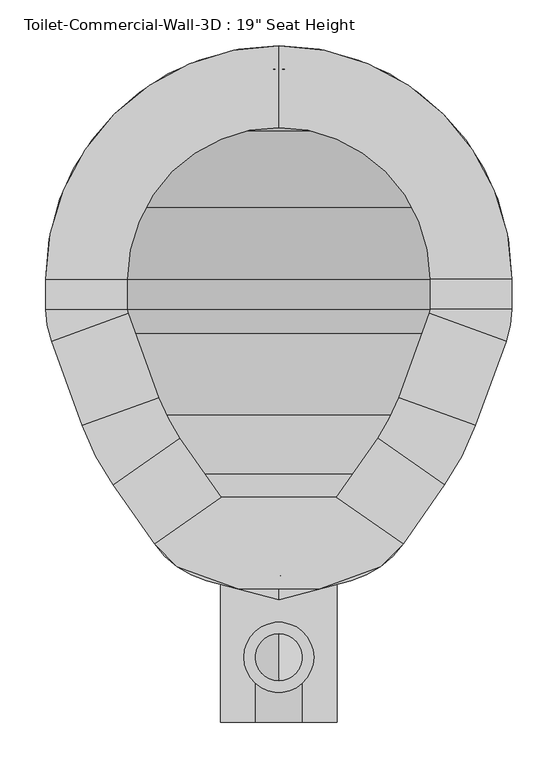
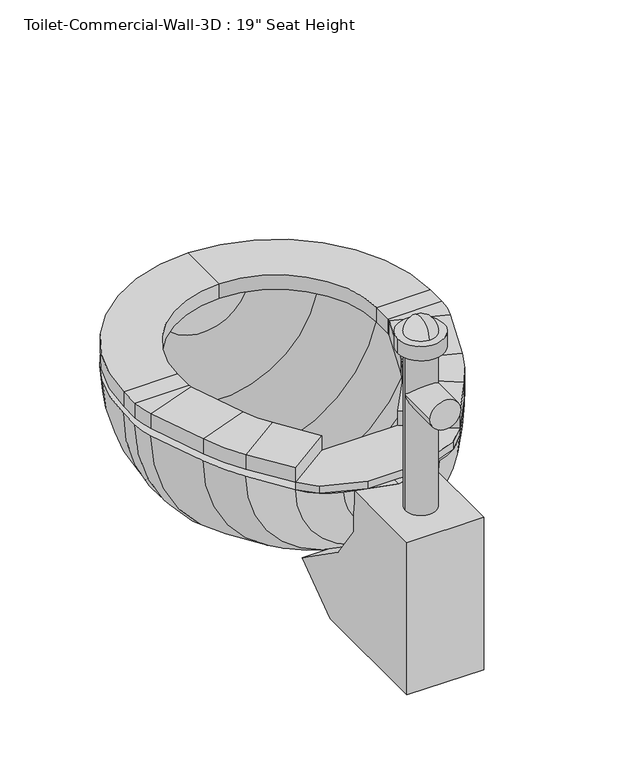
"""IFC4 building model written with IfcOpenShell, lengths in millimetres: flow terminal geometry."""

from ifc_helpers import new_model, si_unit, point, frame, frame_2d, origin, place, context, project, spatial, polyline, circle_curve, ellipse_curve, trimmed, segment, composite_curve, outline, extrude, source, transform, mapped, element, save
from ifc_brep_helpers import plane_surface, cylinder_surface, revolved_surface, advanced_brep


def flow_terminal_de6b1ed7(model_context):
    return source(origin(), model_context, "Body", "SolidModel", [
        extrude(outline(polyline([(467.7541169, 306.9472495), (540.5767337, 255.9563043), (515.6262519, 231.0058226), (449.563909, 206.9610961), (360.2423986, 206.9610961), (294.1800557, 231.0058226), (269.229574, 255.9563043), (342.0521907, 306.9472495), (467.7541169, 306.9472495)])), frame((0.0, 0.0, 444.5), z_axis=(0.0, 0.0, 1.0), x_axis=(1.0, 0.0, 0.0)), (0.0, 0.0, 1.0), 12.7),
        advanced_brep(
        [(467.7541169, 306.9472495, 457.2), (540.5767337, 255.9563043, 457.2), (540.5767337, 255.9563043, 482.6), (467.7541169, 306.9472495, 482.6), (512.8583992, 371.3628403, 457.2), (585.6810159, 320.3718951, 457.2), (585.6810159, 320.3718951, 482.6), (512.8583992, 371.3628403, 482.6), (619.360053, 385.0687234, 457.2), (535.821379, 415.4743141, 457.2), (619.360053, 385.0687234, 482.6), (535.821379, 415.4743141, 482.6), (569.2372501, 507.2836654, 457.2), (652.7759241, 476.8780747, 457.2), (652.7759241, 476.8780747, 482.6), (569.2372501, 507.2836654, 482.6), (658.9031538, 511.6273212, 457.2), (570.0031538, 511.6273212, 457.2), (658.9031538, 511.6273212, 482.6), (570.0031538, 511.6273212, 482.6), (570.0031538, 544.5125, 457.2), (658.9031538, 544.5125, 457.2), (658.9031538, 544.5125, 482.6), (570.0031538, 544.5125, 482.6), (404.9031538, 798.5125, 457.2), (404.9031538, 709.6125, 457.2), (404.9031538, 798.5125, 482.6), (404.9031538, 709.6125, 482.6), (150.9031538, 544.5125, 457.2), (239.8031538, 544.5125, 457.2), (150.9031538, 544.5125, 482.6), (239.8031538, 544.5125, 482.6), (239.8031538, 511.6273212, 457.2), (150.9031538, 511.6273212, 457.2), (150.9031538, 511.6273212, 482.6), (239.8031538, 511.6273212, 482.6), (157.0303835, 476.8780747, 457.2), (240.5690575, 507.2836654, 457.2), (157.0303835, 476.8780747, 482.6), (240.5690575, 507.2836654, 482.6), (273.9849286, 415.4743141, 457.2), (190.4462546, 385.0687234, 457.2), (190.4462546, 385.0687234, 482.6), (273.9849286, 415.4743141, 482.6), (224.1252917, 320.3718951, 457.2), (296.9479084, 371.3628403, 457.2), (224.1252917, 320.3718951, 482.6), (296.9479084, 371.3628403, 482.6), (342.0521907, 306.9472495, 457.2), (342.0521907, 306.9472495, 482.6), (269.229574, 255.9563043, 482.6), (269.229574, 255.9563043, 457.2)],
        [
            (0, 1),
            (1, 2),
            (2, 3),
            (3, 0),
            (0, 4),
            (4, 5),
            (5, 1),
            (5, 6),
            (6, 2),
            (6, 7),
            (7, 3),
            (7, 4),
            (8, 5, circle_curve(frame((356.8099347, 480.6291514, 457.2), z_axis=(0.0, 0.0, -1.0), x_axis=(0.81915204428899, -0.5735764363510486, 0.0)), 279.4)),
            (4, 9, circle_curve(frame((356.8099347, 480.6291514, 457.2), z_axis=(0.0, 0.0, 1.0), x_axis=(0.81915204428899, -0.5735764363510486, 0.0)), 190.5)),
            (9, 8),
            (10, 6, circle_curve(frame((356.8099347, 480.6291514, 482.6), z_axis=(0.0, 0.0, -1.0), x_axis=(0.81915204428899, -0.5735764363510486, 0.0)), 279.4)),
            (8, 10),
            (11, 7, circle_curve(frame((356.8099347, 480.6291514, 482.6), z_axis=(0.0, 0.0, -1.0), x_axis=(0.81915204428899, -0.5735764363510486, 0.0)), 190.5)),
            (10, 11),
            (11, 9),
            (9, 12),
            (12, 13),
            (13, 8),
            (13, 14),
            (14, 10),
            (14, 15),
            (15, 11),
            (15, 12),
            (16, 13, circle_curve(frame((557.3031538, 511.6273212, 457.2), z_axis=(0.0, 0.0, -1.0), x_axis=(0.939692620785906, -0.34202014332567526, 0.0)), 101.6)),
            (12, 17, circle_curve(frame((557.3031538, 511.6273212, 457.2), z_axis=(0.0, 0.0, 1.0), x_axis=(0.939692620785906, -0.34202014332567526, 0.0)), 12.7)),
            (17, 16),
            (18, 14, circle_curve(frame((557.3031538, 511.6273212, 482.6), z_axis=(0.0, 0.0, -1.0), x_axis=(0.939692620785906, -0.34202014332567526, 0.0)), 101.6)),
            (16, 18),
            (19, 15, circle_curve(frame((557.3031538, 511.6273212, 482.6), z_axis=(0.0, 0.0, -1.0), x_axis=(0.939692620785906, -0.34202014332567526, 0.0)), 12.7)),
            (18, 19),
            (19, 17),
            (17, 20),
            (20, 21),
            (21, 16),
            (21, 22),
            (22, 18),
            (22, 23),
            (23, 19),
            (23, 20),
            (24, 21, circle_curve(frame((404.9031538, 544.5125, 457.2), z_axis=(0.0, 0.0, -1.0), x_axis=(1.0, 0.0, 0.0)), 254.0)),
            (20, 25, circle_curve(frame((404.9031538, 544.5125, 457.2), z_axis=(0.0, 0.0, 1.0), x_axis=(1.0, 0.0, 0.0)), 165.1)),
            (25, 24),
            (26, 22, circle_curve(frame((404.9031538, 544.5125, 482.6), z_axis=(0.0, 0.0, -1.0), x_axis=(1.0, 0.0, 0.0)), 254.0)),
            (24, 26),
            (27, 23, circle_curve(frame((404.9031538, 544.5125, 482.6), z_axis=(0.0, 0.0, -1.0), x_axis=(1.0, 0.0, 0.0)), 165.1)),
            (26, 27),
            (27, 25),
            (28, 24, circle_curve(frame((404.9031538, 544.5125, 457.2), z_axis=(0.0, 0.0, -1.0), x_axis=(0.0, 1.0, 0.0)), 254.0)),
            (25, 29, circle_curve(frame((404.9031538, 544.5125, 457.2), z_axis=(0.0, 0.0, 1.0), x_axis=(0.0, 1.0, 0.0)), 165.1)),
            (29, 28),
            (30, 26, circle_curve(frame((404.9031538, 544.5125, 482.6), z_axis=(0.0, 0.0, -1.0), x_axis=(0.0, 1.0, 0.0)), 254.0)),
            (28, 30),
            (31, 27, circle_curve(frame((404.9031538, 544.5125, 482.6), z_axis=(0.0, 0.0, -1.0), x_axis=(0.0, 1.0, 0.0)), 165.1)),
            (30, 31),
            (31, 29),
            (29, 32),
            (32, 33),
            (33, 28),
            (33, 34),
            (34, 30),
            (34, 35),
            (35, 31),
            (35, 32),
            (36, 33, circle_curve(frame((252.5031538, 511.6273212, 457.2), z_axis=(0.0, 0.0, -1.0), x_axis=(-1.0, 0.0, 0.0)), 101.6)),
            (32, 37, circle_curve(frame((252.5031538, 511.6273212, 457.2), z_axis=(0.0, 0.0, 1.0), x_axis=(-1.0, 0.0, 0.0)), 12.7)),
            (37, 36),
            (38, 34, circle_curve(frame((252.5031538, 511.6273212, 482.6), z_axis=(0.0, 0.0, -1.0), x_axis=(-1.0, 0.0, 0.0)), 101.6)),
            (36, 38),
            (39, 35, circle_curve(frame((252.5031538, 511.6273212, 482.6), z_axis=(0.0, 0.0, -1.0), x_axis=(-1.0, 0.0, 0.0)), 12.7)),
            (38, 39),
            (39, 37),
            (37, 40),
            (40, 41),
            (41, 36),
            (41, 42),
            (42, 38),
            (42, 43),
            (43, 39),
            (43, 40),
            (44, 41, circle_curve(frame((452.9963729, 480.6291514, 457.2), z_axis=(0.0, 0.0, -1.0), x_axis=(-0.9396926207859088, -0.34202014332566766, 0.0)), 279.4)),
            (40, 45, circle_curve(frame((452.9963729, 480.6291514, 457.2), z_axis=(0.0, 0.0, 1.0), x_axis=(-0.9396926207859088, -0.34202014332566766, 0.0)), 190.5)),
            (45, 44),
            (46, 42, circle_curve(frame((452.9963729, 480.6291514, 482.6), z_axis=(0.0, 0.0, -1.0), x_axis=(-0.9396926207859088, -0.34202014332566766, 0.0)), 279.4)),
            (44, 46),
            (47, 43, circle_curve(frame((452.9963729, 480.6291514, 482.6), z_axis=(0.0, 0.0, -1.0), x_axis=(-0.9396926207859088, -0.34202014332566766, 0.0)), 190.5)),
            (46, 47),
            (47, 45),
            (48, 49),
            (49, 50),
            (50, 51),
            (51, 48),
            (45, 48),
            (51, 44),
            (50, 46),
            (49, 47),
        ],
        [
            plane_surface(frame((540.5767337, 255.9563043, 541.2203184), z_axis=(-0.5735764363510383, -0.8191520442889972, 0.0), x_axis=(0.8191520442889972, -0.5735764363510383, 0.0))),
            plane_surface(frame((467.7541169, 306.9472495, 457.2), z_axis=(0.0, 0.0, -1.0000000000000002), x_axis=(0.5735764363510386, 0.8191520442889971, 0.0))),
            plane_surface(frame((540.5767337, 255.9563043, 457.2), z_axis=(0.8191520442889972, -0.5735764363510384, 0.0), x_axis=(0.5735764363510384, 0.8191520442889972, 0.0))),
            plane_surface(frame((540.5767337, 255.9563043, 482.6), z_axis=(0.0, 0.0, 1.0), x_axis=(0.5735764363510376, 0.8191520442889978, 0.0))),
            plane_surface(frame((467.7541169, 306.9472495, 482.6), z_axis=(-0.8191520442889973, 0.5735764363510382, 0.0), x_axis=(0.5735764363510382, 0.8191520442889973, 0.0))),
            plane_surface(frame((356.8099347, 480.6291514, 457.2), z_axis=(0.0, 0.0, -1.0), x_axis=(0.81915204428899, -0.5735764363510486, 0.0))),
            cylinder_surface(frame((356.8099347, 480.6291514, 444.5), z_axis=(0.0, 0.0, 1.0), x_axis=(0.81915204428899, -0.5735764363510486, 0.0)), 279.4),
            plane_surface(frame((356.8099347, 480.6291514, 482.6), z_axis=(0.0, 0.0, 1.0), x_axis=(0.81915204428899, -0.5735764363510486, 0.0))),
            revolved_surface(polyline([(512.8583991370526, 371.3628402751252, 482.6), (512.8583991370526, 371.3628402751252, 457.2)]), (356.8099347, 480.6291514, 444.5), (0.0, 0.0, 1.0)),
            plane_surface(frame((535.821379, 415.4743141, 457.2), z_axis=(0.0, 0.0, -1.0000000000000002), x_axis=(0.34202014332566577, 0.9396926207859095, 0.0))),
            plane_surface(frame((619.360053, 385.0687234, 457.2), z_axis=(0.9396926207859093, -0.34202014332566616, 0.0), x_axis=(0.34202014332566616, 0.9396926207859093, 0.0))),
            plane_surface(frame((619.360053, 385.0687234, 482.6), z_axis=(0.0, 0.0, 1.0), x_axis=(0.3420201433256647, 0.9396926207859099, 0.0))),
            plane_surface(frame((535.821379, 415.4743141, 482.6), z_axis=(-0.9396926207859093, 0.34202014332566644, 0.0), x_axis=(0.34202014332566644, 0.9396926207859093, 0.0))),
            plane_surface(frame((557.3031538, 511.6273212, 457.2), z_axis=(0.0, 0.0, -1.0), x_axis=(0.939692620785906, -0.34202014332567526, 0.0))),
            cylinder_surface(frame((557.3031538, 511.6273212, 444.5), z_axis=(0.0, 0.0, 1.0), x_axis=(0.939692620785906, -0.34202014332567526, 0.0)), 101.6),
            plane_surface(frame((557.3031538, 511.6273212, 482.6), z_axis=(0.0, 0.0, 1.0), x_axis=(0.939692620785906, -0.34202014332567526, 0.0))),
            revolved_surface(polyline([(569.237250083981, 507.28366537976393, 482.6), (569.237250083981, 507.28366537976393, 457.2)]), (557.3031538, 511.6273212, 444.5), (0.0, 0.0, 1.0)),
            plane_surface(frame((570.0031538, 511.6273212, 457.2), z_axis=(0.0, 0.0, -1.0), x_axis=(0.0, 1.0, 0.0))),
            plane_surface(frame((658.9031538, 511.6273212, 457.2), z_axis=(1.0, 0.0, 0.0), x_axis=(0.0, 1.0, 0.0))),
            plane_surface(frame((658.9031538, 511.6273212, 482.6), z_axis=(0.0, 0.0, 1.0), x_axis=(0.0, 1.0, 0.0))),
            plane_surface(frame((570.0031538, 511.6273212, 482.6), z_axis=(-1.0, 0.0, 0.0), x_axis=(0.0, 1.0, 0.0))),
            plane_surface(frame((404.9031538, 544.5125, 457.2), z_axis=(0.0, 0.0, -1.0), x_axis=(1.0, 0.0, 0.0))),
            cylinder_surface(frame((404.9031538, 544.5125, 444.5), z_axis=(0.0, 0.0, 1.0), x_axis=(1.0, 0.0, 0.0)), 254.0),
            plane_surface(frame((404.9031538, 544.5125, 482.6), z_axis=(0.0, 0.0, 1.0), x_axis=(1.0, 0.0, 0.0))),
            revolved_surface(polyline([(570.0031538, 544.5125, 482.6), (570.0031538, 544.5125, 457.2)]), (404.9031538, 544.5125, 444.5), (0.0, 0.0, 1.0)),
            plane_surface(frame((404.9031538, 544.5125, 457.2), z_axis=(0.0, 0.0, -1.0), x_axis=(0.0, 1.0, 0.0))),
            cylinder_surface(frame((404.9031538, 544.5125, 444.5), z_axis=(0.0, 0.0, 1.0), x_axis=(0.0, 1.0, 0.0)), 254.0),
            plane_surface(frame((404.9031538, 544.5125, 482.6), z_axis=(0.0, 0.0, 1.0), x_axis=(0.0, 1.0, 0.0))),
            revolved_surface(polyline([(404.9031538, 709.6125000000001, 482.6), (404.9031538, 709.6125000000001, 457.2)]), (404.9031538, 544.5125, 444.5), (0.0, 0.0, 1.0)),
            plane_surface(frame((239.8031538, 544.5125, 457.2), z_axis=(0.0, 0.0, -1.0), x_axis=(0.0, -1.0, 0.0))),
            plane_surface(frame((150.9031538, 544.5125, 457.2), z_axis=(-1.0, 0.0, 0.0), x_axis=(0.0, -1.0, 0.0))),
            plane_surface(frame((150.9031538, 544.5125, 482.6), z_axis=(0.0, 0.0, 1.0), x_axis=(0.0, -1.0, 0.0))),
            plane_surface(frame((239.8031538, 544.5125, 482.6), z_axis=(1.0, 0.0, 0.0), x_axis=(0.0, -1.0, 0.0))),
            plane_surface(frame((252.5031538, 511.6273212, 457.2), z_axis=(0.0, 0.0, -1.0), x_axis=(-1.0, 0.0, 0.0))),
            cylinder_surface(frame((252.5031538, 511.6273212, 444.5), z_axis=(0.0, 0.0, 1.0), x_axis=(-1.0, 0.0, 0.0)), 101.6),
            plane_surface(frame((252.5031538, 511.6273212, 482.6), z_axis=(0.0, 0.0, 1.0), x_axis=(-1.0, 0.0, 0.0))),
            revolved_surface(polyline([(239.80315380000002, 511.6273212, 482.6), (239.80315380000002, 511.6273212, 457.2)]), (252.5031538, 511.6273212, 444.5), (0.0, 0.0, 1.0)),
            plane_surface(frame((240.5690575, 507.2836654, 457.2), z_axis=(0.0, 0.0, -1.0000000000000002), x_axis=(0.34202014332565606, -0.9396926207859131, 0.0))),
            plane_surface(frame((157.0303835, 476.8780747, 457.2), z_axis=(-0.9396926207859128, -0.34202014332565694, 0.0), x_axis=(0.34202014332565694, -0.9396926207859128, 0.0))),
            plane_surface(frame((157.0303835, 476.8780747, 482.6), z_axis=(0.0, 0.0, 1.0000000000000002), x_axis=(0.34202014332565656, -0.9396926207859129, 0.0))),
            plane_surface(frame((240.5690575, 507.2836654, 482.6), z_axis=(0.9396926207859131, 0.34202014332565606, 0.0), x_axis=(0.34202014332565606, -0.9396926207859131, 0.0))),
            plane_surface(frame((452.9963729, 480.6291514, 457.2), z_axis=(0.0, 0.0, -1.0), x_axis=(-0.9396926207859088, -0.34202014332566766, 0.0))),
            cylinder_surface(frame((452.9963729, 480.6291514, 444.5), z_axis=(0.0, 0.0, 1.0), x_axis=(-0.9396926207859088, -0.34202014332566766, 0.0)), 279.4),
            plane_surface(frame((452.9963729, 480.6291514, 482.6), z_axis=(0.0, 0.0, 1.0), x_axis=(-0.9396926207859088, -0.34202014332566766, 0.0))),
            revolved_surface(polyline([(273.98492864028435, 415.4743140964603, 482.6), (273.98492864028435, 415.4743140964603, 457.2)]), (452.9963729, 480.6291514, 444.5), (0.0, 0.0, 1.0)),
            plane_surface(frame((269.229574, 255.9563043, 347.7796816), z_axis=(0.5735764363510499, -0.8191520442889891, 0.0), x_axis=(0.8191520442889891, 0.5735764363510499, 0.0))),
            plane_surface(frame((296.9479084, 371.3628403, 457.2), z_axis=(0.0, 0.0, -1.0), x_axis=(0.5735764363510497, -0.8191520442889894, 0.0))),
            plane_surface(frame((224.1252917, 320.3718951, 457.2), z_axis=(-0.819152044288989, -0.5735764363510502, 0.0), x_axis=(0.5735764363510502, -0.819152044288989, 0.0))),
            plane_surface(frame((224.1252917, 320.3718951, 482.6), z_axis=(0.0, 0.0, 1.0000000000000002), x_axis=(0.5735764363510502, -0.819152044288989, 0.0))),
            plane_surface(frame((296.9479084, 371.3628403, 482.6), z_axis=(0.8191520442889894, 0.5735764363510497, 0.0), x_axis=(0.5735764363510497, -0.8191520442889894, 0.0))),
        ],
        [
            (0, [[1, 2, 3, 4]]),
            (1, [[-1, 5, 6, 7]]),
            (2, [[-2, -7, 8, 9]]),
            (3, [[-3, -9, 10, 11]]),
            (4, [[-4, -11, 12, -5]]),
            (5, [[13, -6, 14, 15]]),
            (6, [[16, -8, -13, 17]]),
            (7, [[18, -10, -16, 19]]),
            (8, [[-14, -12, -18, 20]]),
            (9, [[-15, 21, 22, 23]]),
            (10, [[-17, -23, 24, 25]]),
            (11, [[-19, -25, 26, 27]]),
            (12, [[-20, -27, 28, -21]]),
            (13, [[29, -22, 30, 31]]),
            (14, [[32, -24, -29, 33]]),
            (15, [[34, -26, -32, 35]]),
            (16, [[-30, -28, -34, 36]]),
            (17, [[-31, 37, 38, 39]]),
            (18, [[-33, -39, 40, 41]]),
            (19, [[-35, -41, 42, 43]]),
            (20, [[-36, -43, 44, -37]]),
            (21, [[45, -38, 46, 47]]),
            (22, [[48, -40, -45, 49]]),
            (23, [[50, -42, -48, 51]]),
            (24, [[-46, -44, -50, 52]]),
            (25, [[53, -47, 54, 55]]),
            (26, [[56, -49, -53, 57]]),
            (27, [[58, -51, -56, 59]]),
            (28, [[-54, -52, -58, 60]]),
            (29, [[-55, 61, 62, 63]]),
            (30, [[-57, -63, 64, 65]]),
            (31, [[-59, -65, 66, 67]]),
            (32, [[-60, -67, 68, -61]]),
            (33, [[69, -62, 70, 71]]),
            (34, [[72, -64, -69, 73]]),
            (35, [[74, -66, -72, 75]]),
            (36, [[-70, -68, -74, 76]]),
            (37, [[-71, 77, 78, 79]]),
            (38, [[-73, -79, 80, 81]]),
            (39, [[-75, -81, 82, 83]]),
            (40, [[-76, -83, 84, -77]]),
            (41, [[85, -78, 86, 87]]),
            (42, [[88, -80, -85, 89]]),
            (43, [[90, -82, -88, 91]]),
            (44, [[-86, -84, -90, 92]]),
            (45, [[93, 94, 95, 96]]),
            (46, [[-87, 97, -96, 98]]),
            (47, [[-89, -98, -95, 99]]),
            (48, [[-91, -99, -94, 100]]),
            (49, [[-92, -100, -93, -97]]),
        ],
    ),
        advanced_brep(
        [(491.7762702, 783.1944257, 444.5), (404.9031538, 798.5125, 444.5), (404.9031538, 773.1125, 444.5), (483.0889586, 759.3262331, 444.5), (566.547764, 706.1571102, 444.5), (619.7168869, 622.6983048, 444.5), (633.5031538, 544.5125, 444.5), (633.5031538, 511.6273212, 444.5), (628.9077315, 485.5653863, 444.5), (596.6355667, 396.8983422, 444.5), (562.9565296, 332.2015139, 444.5), (525.0728964, 278.0980786, 444.5), (468.1430637, 238.2353806, 444.5), (404.9031538, 221.2902978, 444.5), (404.9031538, 194.9942829, 444.5), (483.6469009, 216.0936063, 444.5), (540.5767337, 255.9563043, 444.5), (585.6810159, 320.3718951, 444.5), (619.360053, 385.0687234, 444.5), (652.7759241, 476.8780747, 444.5), (658.9031538, 511.6273212, 444.5), (658.9031538, 544.5125, 444.5), (643.5850795, 631.3856164, 444.5), (584.5082762, 724.1176224, 444.5), (318.0300374, 783.1944257, 444.5), (225.2980314, 724.1176224, 444.5), (166.2212281, 631.3856164, 444.5), (150.9031538, 544.5125, 444.5), (150.9031538, 511.6273212, 444.5), (157.0303835, 476.8780747, 444.5), (190.4462546, 385.0687234, 444.5), (224.1252917, 320.3718951, 444.5), (269.229574, 255.9563043, 444.5), (326.1594067, 216.0936063, 444.5), (341.663244, 238.2353806, 444.5), (284.7334112, 278.0980786, 444.5), (246.849778, 332.2015139, 444.5), (213.1707409, 396.8983422, 444.5), (180.8985761, 485.5653863, 444.5), (176.3031538, 511.6273212, 444.5), (176.3031538, 544.5125, 444.5), (190.0894207, 622.6983048, 444.5), (243.2585436, 706.1571102, 444.5), (326.7173491, 759.3262331, 444.5)],
        [
            (0, 1, circle_curve(frame((404.9031538, 544.5125, 444.5), z_axis=(0.0, 0.0, 1.0), x_axis=(1.0, 0.0, 0.0)), 254.0)),
            (1, 2),
            (2, 3, circle_curve(frame((404.9031538, 544.5125, 444.5), z_axis=(0.0, 0.0, -1.0), x_axis=(1.0, 0.0, 0.0)), 228.6)),
            (3, 4, circle_curve(frame((404.9031538, 544.5125, 444.5), z_axis=(0.0, 0.0, -1.0), x_axis=(1.0, 0.0, 0.0)), 228.6)),
            (4, 5, circle_curve(frame((404.9031538, 544.5125, 444.5), z_axis=(0.0, 0.0, -1.0), x_axis=(1.0, 0.0, 0.0)), 228.6)),
            (5, 6, circle_curve(frame((404.9031538, 544.5125, 444.5), z_axis=(0.0, 0.0, -1.0), x_axis=(1.0, 0.0, 0.0)), 228.6)),
            (6, 7),
            (7, 8, circle_curve(frame((557.3031538, 511.6273212, 444.5), z_axis=(0.0, 0.0, -1.0), x_axis=(1.0, 0.0, 0.0)), 76.2)),
            (8, 9),
            (9, 10, circle_curve(frame((334.0854485, 492.4587703, 444.5), z_axis=(0.0, 0.0, -1.0), x_axis=(1.0, 0.0, 0.0)), 279.4)),
            (10, 11),
            (11, 12, circle_curve(frame((441.8470487, 336.3734446, 444.5), z_axis=(0.0, 0.0, -1.0), x_axis=(1.0, 0.0, 0.0)), 101.6)),
            (12, 13),
            (13, 14),
            (14, 15),
            (15, 16, circle_curve(frame((457.350886, 314.2316703, 444.5), z_axis=(0.0, 0.0, 1.0), x_axis=(1.0, 0.0, 0.0)), 101.6)),
            (16, 17),
            (17, 18, circle_curve(frame((356.8099347, 480.6291514, 444.5), z_axis=(0.0, 0.0, 1.0), x_axis=(1.0, 0.0, 0.0)), 279.4)),
            (18, 19),
            (19, 20, circle_curve(frame((557.3031538, 511.6273212, 444.5), z_axis=(0.0, 0.0, 1.0), x_axis=(1.0, 0.0, 0.0)), 101.6)),
            (20, 21),
            (21, 22, circle_curve(frame((404.9031538, 544.5125, 444.5), z_axis=(0.0, 0.0, 1.0), x_axis=(1.0, 0.0, 0.0)), 254.0)),
            (22, 23, circle_curve(frame((404.9031538, 544.5125, 444.5), z_axis=(0.0, 0.0, 1.0), x_axis=(1.0, 0.0, 0.0)), 254.0)),
            (23, 0, circle_curve(frame((404.9031538, 544.5125, 444.5), z_axis=(0.0, 0.0, 1.0), x_axis=(1.0, 0.0, 0.0)), 254.0)),
            (24, 25, circle_curve(frame((404.9031538, 544.5125, 444.5), z_axis=(0.0, 0.0, 1.0), x_axis=(-1.0, 0.0, 0.0)), 254.0)),
            (25, 26, circle_curve(frame((404.9031538, 544.5125, 444.5), z_axis=(0.0, 0.0, 1.0), x_axis=(-1.0, 0.0, 0.0)), 254.0)),
            (26, 27, circle_curve(frame((404.9031538, 544.5125, 444.5), z_axis=(0.0, 0.0, 1.0), x_axis=(-1.0, 0.0, 0.0)), 254.0)),
            (27, 28),
            (28, 29, circle_curve(frame((252.5031538, 511.6273212, 444.5), z_axis=(0.0, 0.0, 1.0), x_axis=(-1.0, 0.0, 0.0)), 101.6)),
            (29, 30),
            (30, 31, circle_curve(frame((452.9963729, 480.6291514, 444.5), z_axis=(0.0, 0.0, 1.0), x_axis=(-1.0, 0.0, 0.0)), 279.4)),
            (31, 32),
            (32, 33, circle_curve(frame((352.4554217, 314.2316703, 444.5), z_axis=(0.0, 0.0, 1.0), x_axis=(-1.0, 0.0, 0.0)), 101.6)),
            (33, 14),
            (13, 34),
            (34, 35, circle_curve(frame((367.9592589, 336.3734446, 444.5), z_axis=(0.0, 0.0, -1.0), x_axis=(-1.0, 0.0, 0.0)), 101.6)),
            (35, 36),
            (36, 37, circle_curve(frame((475.7208592, 492.4587703, 444.5), z_axis=(0.0, 0.0, -1.0), x_axis=(-1.0, 0.0, 0.0)), 279.4)),
            (37, 38),
            (38, 39, circle_curve(frame((252.5031538, 511.6273212, 444.5), z_axis=(0.0, 0.0, -1.0), x_axis=(-1.0, 0.0, 0.0)), 76.2)),
            (39, 40),
            (40, 41, circle_curve(frame((404.9031538, 544.5125, 444.5), z_axis=(0.0, 0.0, -1.0), x_axis=(-1.0, 0.0, 0.0)), 228.6)),
            (41, 42, circle_curve(frame((404.9031538, 544.5125, 444.5), z_axis=(0.0, 0.0, -1.0), x_axis=(-1.0, 0.0, 0.0)), 228.6)),
            (42, 43, circle_curve(frame((404.9031538, 544.5125, 444.5), z_axis=(0.0, 0.0, -1.0), x_axis=(-1.0, 0.0, 0.0)), 228.6)),
            (43, 2, circle_curve(frame((404.9031538, 544.5125, 444.5), z_axis=(0.0, 0.0, -1.0), x_axis=(-1.0, 0.0, 0.0)), 228.6)),
            (1, 24, circle_curve(frame((404.9031538, 544.5125, 444.5), z_axis=(0.0, 0.0, 1.0), x_axis=(-1.0, 0.0, 0.0)), 254.0)),
            (0, 24, circle_curve(frame((404.9031538, 783.1944257, 444.5), z_axis=(0.0, 1.0, 0.0), x_axis=(1.0, 0.0, 0.0)), 86.8731164)),
            (43, 3, circle_curve(frame((404.9031538, 759.3262331, 444.5), z_axis=(0.0, -1.0, 0.0), x_axis=(1.0, 0.0, 0.0)), 78.1858048)),
            (42, 4, circle_curve(frame((404.9031538, 706.1571102, 444.5), z_axis=(0.0, -1.0, 0.0), x_axis=(1.0, 0.0, 0.0)), 161.6446102)),
            (41, 5, circle_curve(frame((404.9031538, 622.6983048, 444.5), z_axis=(0.0, -1.0, 0.0), x_axis=(1.0, 0.0, 0.0)), 214.8137331)),
            (40, 6, circle_curve(frame((404.9031538, 544.5125, 444.5), z_axis=(0.0, -1.0, 0.0), x_axis=(1.0, 0.0, 0.0)), 228.6)),
            (39, 7, circle_curve(frame((404.9031538, 511.6273212, 444.5), z_axis=(0.0, -1.0, 0.0), x_axis=(1.0, 0.0, 0.0)), 228.6)),
            (38, 8, circle_curve(frame((404.9031538, 485.5653863, 444.5), z_axis=(0.0, -1.0, 0.0), x_axis=(1.0, 0.0, 0.0)), 224.0045777)),
            (37, 9, circle_curve(frame((404.9031538, 396.8983422, 444.5), z_axis=(0.0, -1.0, 0.0), x_axis=(1.0, 0.0, 0.0)), 191.7324129)),
            (36, 10, circle_curve(frame((404.9031538, 332.2015139, 444.5), z_axis=(0.0, -1.0, 0.0), x_axis=(1.0, 0.0, 0.0)), 158.0533758)),
            (35, 11, circle_curve(frame((404.9031538, 278.0980786, 444.5), z_axis=(0.0, -1.0, 0.0), x_axis=(1.0, 0.0, 0.0)), 120.1697426)),
            (34, 12, circle_curve(frame((404.9031538, 238.2353806, 444.5), z_axis=(0.0, -1.0, 0.0), x_axis=(1.0, 0.0, 0.0)), 63.2399099)),
            (33, 15, circle_curve(frame((404.9031538, 216.0936063, 444.5), z_axis=(0.0, -1.0, 0.0), x_axis=(1.0, 0.0, 0.0)), 78.7437471)),
            (32, 16, circle_curve(frame((404.9031538, 255.9563043, 444.5), z_axis=(0.0, -1.0, 0.0), x_axis=(1.0, 0.0, 0.0)), 135.6735798)),
            (31, 17, circle_curve(frame((404.9031538, 320.3718951, 444.5), z_axis=(0.0, -1.0, 0.0), x_axis=(1.0, 0.0, 0.0)), 180.7778621)),
            (30, 18, circle_curve(frame((404.9031538, 385.0687234, 444.5), z_axis=(0.0, -1.0, 0.0), x_axis=(1.0, 0.0, 0.0)), 214.4568992)),
            (29, 19, circle_curve(frame((404.9031538, 476.8780747, 444.5), z_axis=(0.0, -1.0, 0.0), x_axis=(1.0, 0.0, 0.0)), 247.8727703)),
            (28, 20, circle_curve(frame((404.9031538, 511.6273212, 444.5), z_axis=(0.0, -1.0, 0.0), x_axis=(1.0, 0.0, 0.0)), 254.0)),
            (27, 21, circle_curve(frame((404.9031538, 544.5125, 444.5), z_axis=(0.0, -1.0, 0.0), x_axis=(1.0, 0.0, 0.0)), 254.0)),
            (26, 22, circle_curve(frame((404.9031538, 631.3856164, 444.5), z_axis=(0.0, -1.0, 0.0), x_axis=(1.0, 0.0, 0.0)), 238.6819257)),
            (25, 23, circle_curve(frame((404.9031538, 724.1176224, 444.5), z_axis=(0.0, -1.0, 0.0), x_axis=(1.0, 0.0, 0.0)), 179.6051224)),
        ],
        [
            plane_surface(frame((404.9031538, 903.7227448, 444.5), z_axis=(0.0, 0.0, 1.0), x_axis=(1.0, 0.0, 0.0))),
            plane_surface(frame((404.9031538, 903.7227448, 444.5), z_axis=(0.0, 0.0, 1.0), x_axis=(-1.0, 0.0, 0.0))),
            revolved_surface(trimmed(ellipse_curve(frame((404.9031538, 544.5125, 444.5), z_axis=(0.0, 0.0, 1.0), x_axis=(1.0, 0.0, 0.0)), 254.0, 254.0), [point((491.7762702, 783.1944257, 444.5))], [point((404.9031538, 798.5125, 444.5))], True, "CARTESIAN"), (404.9031538, 903.7227448, 444.5), (0.0, 1.0, 0.0)),
            revolved_surface(trimmed(ellipse_curve(frame((404.9031538, 544.5125, 444.5), z_axis=(0.0, 0.0, -1.0), x_axis=(1.0, 0.0, 0.0)), 228.6, 228.6), [point((404.9031538, 773.1125, 444.5))], [point((483.0889586, 759.3262331, 444.5))], True, "CARTESIAN"), (404.9031538, 903.7227448, 444.5), (0.0, 1.0, 0.0)),
            revolved_surface(trimmed(ellipse_curve(frame((404.9031538, 544.5125, 444.5), z_axis=(0.0, 0.0, -1.0), x_axis=(1.0, 0.0, 0.0)), 228.6, 228.6), [point((483.0889586, 759.3262331, 444.5))], [point((566.547764, 706.1571102, 444.5))], True, "CARTESIAN"), (404.9031538, 903.7227448, 444.5), (0.0, 1.0, 0.0)),
            revolved_surface(trimmed(ellipse_curve(frame((404.9031538, 544.5125, 444.5), z_axis=(0.0, 0.0, -1.0), x_axis=(1.0, 0.0, 0.0)), 228.6, 228.6), [point((566.547764, 706.1571102, 444.5))], [point((619.7168869, 622.6983048, 444.5))], True, "CARTESIAN"), (404.9031538, 903.7227448, 444.5), (0.0, 1.0, 0.0)),
            revolved_surface(trimmed(ellipse_curve(frame((404.9031538, 544.5125, 444.5), z_axis=(0.0, 0.0, -1.0), x_axis=(1.0, 0.0, 0.0)), 228.6, 228.6), [point((619.7168869, 622.6983048, 444.5))], [point((633.5031538, 544.5125, 444.5))], True, "CARTESIAN"), (404.9031538, 903.7227448, 444.5), (0.0, 1.0, 0.0)),
            revolved_surface(polyline([(633.5031538, 544.5125, 444.5), (633.5031538, 511.6273212, 444.5)]), (404.9031538, 903.7227448, 444.5), (0.0, 1.0, 0.0)),
            revolved_surface(trimmed(ellipse_curve(frame((557.3031538, 511.6273212, 444.5), z_axis=(0.0, 0.0, -1.0), x_axis=(1.0, 0.0, 0.0)), 76.2, 76.2), [point((633.5031538, 511.6273212, 444.5))], [point((628.9077315, 485.5653863, 444.5))], True, "CARTESIAN"), (404.9031538, 903.7227448, 444.5), (0.0, 1.0, 0.0)),
            revolved_surface(polyline([(628.9077315, 485.5653863, 444.5), (596.6355667, 396.8983422, 444.5)]), (404.9031538, 903.7227448, 444.5), (0.0, 1.0, 0.0)),
            revolved_surface(trimmed(ellipse_curve(frame((334.0854485, 492.4587703, 444.5), z_axis=(0.0, 0.0, -1.0), x_axis=(1.0, 0.0, 0.0)), 279.4, 279.4), [point((596.6355667, 396.8983422, 444.5))], [point((562.9565296, 332.2015139, 444.5))], True, "CARTESIAN"), (404.9031538, 903.7227448, 444.5), (0.0, 1.0, 0.0)),
            revolved_surface(polyline([(562.9565296, 332.2015139, 444.5), (525.0728964, 278.0980786, 444.5)]), (404.9031538, 903.7227448, 444.5), (0.0, 1.0, 0.0)),
            revolved_surface(trimmed(ellipse_curve(frame((441.8470487, 336.3734446, 444.5), z_axis=(0.0, 0.0, -1.0), x_axis=(1.0, 0.0, 0.0)), 101.6, 101.6), [point((525.0728964, 278.0980786, 444.5))], [point((468.1430637, 238.2353806, 444.5))], True, "CARTESIAN"), (404.9031538, 903.7227448, 444.5), (0.0, 1.0, 0.0)),
            revolved_surface(polyline([(468.1430637, 238.2353806, 444.5), (404.9031538, 221.2902978, 444.5)]), (404.9031538, 903.7227448, 444.5), (0.0, 1.0, 0.0)),
            revolved_surface(polyline([(404.9031538, 194.9942829, 444.5), (483.6469009, 216.0936063, 444.5)]), (404.9031538, 903.7227448, 444.5), (0.0, 1.0, 0.0)),
            revolved_surface(trimmed(ellipse_curve(frame((457.350886, 314.2316703, 444.5), z_axis=(0.0, 0.0, 1.0), x_axis=(1.0, 0.0, 0.0)), 101.6, 101.6), [point((483.6469009, 216.0936063, 444.5))], [point((540.5767337, 255.9563043, 444.5))], True, "CARTESIAN"), (404.9031538, 903.7227448, 444.5), (0.0, 1.0, 0.0)),
            revolved_surface(polyline([(540.5767337, 255.9563043, 444.5), (585.6810159, 320.3718951, 444.5)]), (404.9031538, 903.7227448, 444.5), (0.0, 1.0, 0.0)),
            revolved_surface(trimmed(ellipse_curve(frame((356.8099347, 480.6291514, 444.5), z_axis=(0.0, 0.0, 1.0), x_axis=(1.0, 0.0, 0.0)), 279.4, 279.4), [point((585.6810159, 320.3718951, 444.5))], [point((619.360053, 385.0687234, 444.5))], True, "CARTESIAN"), (404.9031538, 903.7227448, 444.5), (0.0, 1.0, 0.0)),
            revolved_surface(polyline([(619.360053, 385.0687234, 444.5), (652.7759241, 476.8780747, 444.5)]), (404.9031538, 903.7227448, 444.5), (0.0, 1.0, 0.0)),
            revolved_surface(trimmed(ellipse_curve(frame((557.3031538, 511.6273212, 444.5), z_axis=(0.0, 0.0, 1.0), x_axis=(1.0, 0.0, 0.0)), 101.6, 101.6), [point((652.7759241, 476.8780747, 444.5))], [point((658.9031538, 511.6273212, 444.5))], True, "CARTESIAN"), (404.9031538, 903.7227448, 444.5), (0.0, 1.0, 0.0)),
            cylinder_surface(frame((404.9031538, 903.7227448, 444.5), z_axis=(0.0, 1.0, 0.0), x_axis=(1.0, 0.0, 0.0)), 254.0),
            revolved_surface(trimmed(ellipse_curve(frame((404.9031538, 544.5125, 444.5), z_axis=(0.0, 0.0, 1.0), x_axis=(1.0, 0.0, 0.0)), 254.0, 254.0), [point((658.9031538, 544.5125, 444.5))], [point((643.5850795, 631.3856164, 444.5))], True, "CARTESIAN"), (404.9031538, 903.7227448, 444.5), (0.0, 1.0, 0.0)),
            revolved_surface(trimmed(ellipse_curve(frame((404.9031538, 544.5125, 444.5), z_axis=(0.0, 0.0, 1.0), x_axis=(1.0, 0.0, 0.0)), 254.0, 254.0), [point((643.5850795, 631.3856164, 444.5))], [point((584.5082762, 724.1176224, 444.5))], True, "CARTESIAN"), (404.9031538, 903.7227448, 444.5), (0.0, 1.0, 0.0)),
            revolved_surface(trimmed(ellipse_curve(frame((404.9031538, 544.5125, 444.5), z_axis=(0.0, 0.0, 1.0), x_axis=(1.0, 0.0, 0.0)), 254.0, 254.0), [point((584.5082762, 724.1176224, 444.5))], [point((491.7762702, 783.1944257, 444.5))], True, "CARTESIAN"), (404.9031538, 903.7227448, 444.5), (0.0, 1.0, 0.0)),
        ],
        [
            (0, [[1, 2, 3, 4, 5, 6, 7, 8, 9, 10, 11, 12, 13, 14, 15, 16, 17, 18, 19, 20, 21, 22, 23, 24]]),
            (1, [[25, 26, 27, 28, 29, 30, 31, 32, 33, 34, -14, 35, 36, 37, 38, 39, 40, 41, 42, 43, 44, 45, -2, 46]]),
            (2, [[-1, 47, -46]]),
            (3, [[48, -3, -45]]),
            (4, [[49, -4, -48, -44]]),
            (5, [[50, -5, -49, -43]]),
            (6, [[51, -6, -50, -42]]),
            (7, [[52, -7, -51, -41]]),
            (8, [[53, -8, -52, -40]]),
            (9, [[54, -9, -53, -39]]),
            (10, [[55, -10, -54, -38]]),
            (11, [[56, -11, -55, -37]]),
            (12, [[57, -12, -56, -36]]),
            (13, [[-13, -57, -35]]),
            (14, [[58, -15, -34]]),
            (15, [[59, -16, -58, -33]]),
            (16, [[60, -17, -59, -32]]),
            (17, [[61, -18, -60, -31]]),
            (18, [[62, -19, -61, -30]]),
            (19, [[63, -20, -62, -29]]),
            (20, [[64, -21, -63, -28]]),
            (21, [[65, -22, -64, -27]]),
            (22, [[66, -23, -65, -26]]),
            (23, [[-47, -24, -66, -25]]),
        ],
    ),
        advanced_brep(
        [(404.9031538, 106.8301912, 749.3), (404.9031538, 158.0653563, 749.3), (404.9031538, 132.4477737, 774.9175826), (404.9031538, 132.4477737, 749.3)],
        [
            (0, 1, circle_curve(frame((404.9031538, 132.4477737, 749.3), z_axis=(0.0, 0.0, 1.0), x_axis=(0.0, 1.0, 0.0)), 25.6175826)),
            (1, 2, circle_curve(frame((404.9031538, 132.4477737, 749.3), z_axis=(1.0, 0.0, 0.0), x_axis=(0.0, -1.0, 0.0)), 25.6175826)),
            (2, 0, circle_curve(frame((404.9031538, 132.4477737, 749.3), z_axis=(1.0, 0.0, 0.0), x_axis=(0.0, 1.0, 0.0)), 25.6175826)),
            (1, 0, circle_curve(frame((404.9031538, 132.4477737, 749.3), z_axis=(0.0, 0.0, 1.0), x_axis=(0.0, 1.0, 0.0)), 25.6175826)),
            (3, 1),
            (0, 3),
        ],
        [
            revolved_surface(trimmed(ellipse_curve(frame((404.9031538, 132.4477737, 749.3), z_axis=(-1.0, 0.0, 0.0), x_axis=(0.0, -1.0, 0.0)), 25.6175826, 25.6175826), [point((404.9031538, 132.4477737, 774.9175826))], [point((404.9031538, 158.0653563, 749.3))], True, "CARTESIAN"), (404.9031538, 132.4477737, 813.9277273), (0.0, 0.0, -1.0)),
            plane_surface(frame((404.9031538, 132.4477737, 749.3), z_axis=(0.0, 0.0, -1.0), x_axis=(0.0, 1.0, 0.0))),
        ],
        [
            (0, [[1, 2, 3]]),
            (0, [[4, -3, -2]]),
            (1, [[5, -1, 6]]),
            (1, [[-6, -4, -5]]),
        ],
    ),
        extrude(outline(composite_curve([segment(trimmed(circle_curve(frame_2d((404.9031538, 132.4477737)), 38.1), [point((366.8031538, 132.4477737))], [point((443.0031538, 132.4477737))], False, "CARTESIAN"), True, "CONTINUOUS"), segment(trimmed(circle_curve(frame_2d((404.9031538, 132.4477737)), 38.1), [point((443.0031538, 132.4477737))], [point((366.8031538, 132.4477737))], False, "CARTESIAN"), True, "CONTINUOUS")], self_intersect=False)), frame((0.0, 0.0, 723.9), z_axis=(0.0, 0.0, 1.0), x_axis=(1.0, 0.0, 0.0)), (0.0, 0.0, 1.0), 25.4),
        extrude(outline(composite_curve([segment(trimmed(circle_curve(frame_2d((645.8113641, 404.9031538)), 25.4), [point((645.8113641, 379.5031538))], [point((645.8113641, 430.3031538))], False, "CARTESIAN"), True, "CONTINUOUS"), segment(trimmed(circle_curve(frame_2d((645.8113641, 404.9031538)), 25.4), [point((645.8113641, 430.3031538))], [point((645.8113641, 379.5031538))], False, "CARTESIAN"), True, "CONTINUOUS")], self_intersect=False)), frame((0.0, 61.9125, 0.0), z_axis=(0.0, 1.0, 0.0), x_axis=(0.0, 0.0, 1.0)), (0.0, 0.0, 1.0), 70.64375),
        extrude(outline(composite_curve([segment(trimmed(circle_curve(frame_2d((404.9031538, 132.4477737)), 25.4), [point((379.5031538, 132.4477737))], [point((430.3031538, 132.4477737))], False, "CARTESIAN"), True, "CONTINUOUS"), segment(trimmed(circle_curve(frame_2d((404.9031538, 132.4477737)), 25.4), [point((430.3031538, 132.4477737))], [point((379.5031538, 132.4477737))], False, "CARTESIAN"), True, "CONTINUOUS")], self_intersect=False)), frame((0.0, 0.0, 444.5), z_axis=(0.0, 0.0, 1.0), x_axis=(1.0, 0.0, 0.0)), (0.0, 0.0, 1.0), 279.4),
        extrude(outline(polyline([(214.7162941, 444.5), (214.7162941, 370.896452), (258.4228185, 308.4770663), (362.4551282, 235.6328588), (281.9579017, 177.8), (61.9125, 177.8), (61.9125, 444.5), (214.7162941, 444.5)])), frame((341.4031538, 0.0, 0.0), z_axis=(1.0, 0.0, 0.0), x_axis=(0.0, 1.0, 0.0)), (0.0, 0.0, 1.0), 127.0),
    ])


if __name__ == "__main__":
    model = new_model("IFC4")
    model_context = context("Model", 3, world=origin())
    ifc_project = project(units=[si_unit("LENGTHUNIT", "METRE", prefix="MILLI")], contexts=[model_context])
    site = spatial("IfcSite", under=ifc_project)
    building = spatial("IfcBuilding", under=site)
    placement = place(None, origin())
    flow_terminal_shape = flow_terminal_de6b1ed7(model_context)
    element("IfcFlowTerminal", 1, ObjectType="Toilet-Commercial-Wall-3D : 19\" Seat Height", at=placement, inside=building, context=model_context, shape_type="MappedRepresentation", body=[
        mapped(flow_terminal_shape, transform((0.0, 0.0, 0.0), x_axis=(1.0, 0.0, 0.0), y_axis=(0.0, 1.0, 0.0), z_axis=(0.0, 0.0, 1.0))),
    ])
    save(model, "model.ifc")
